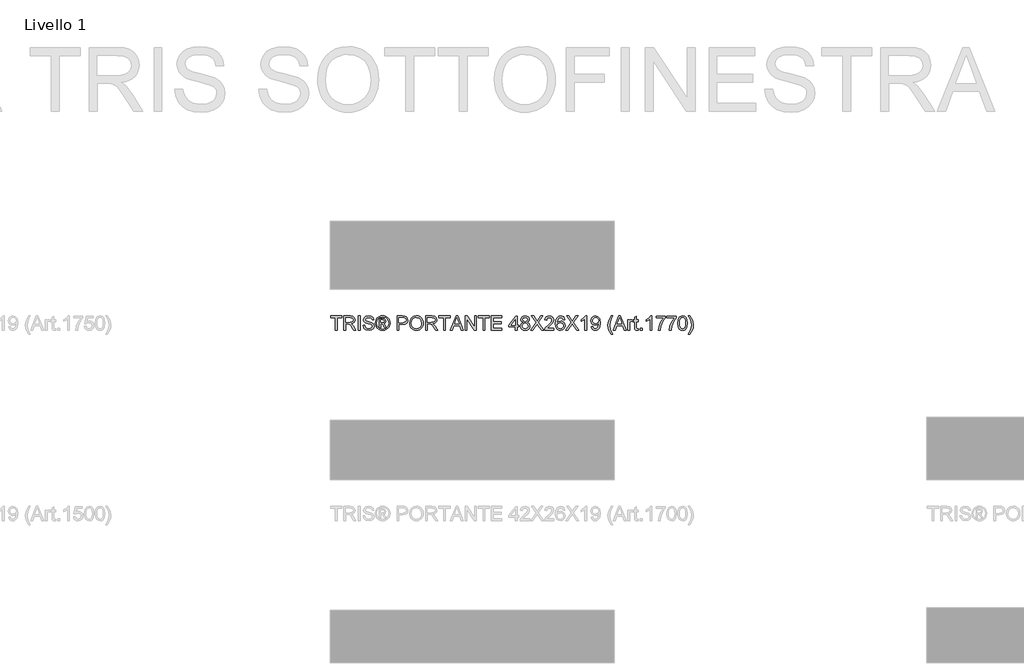
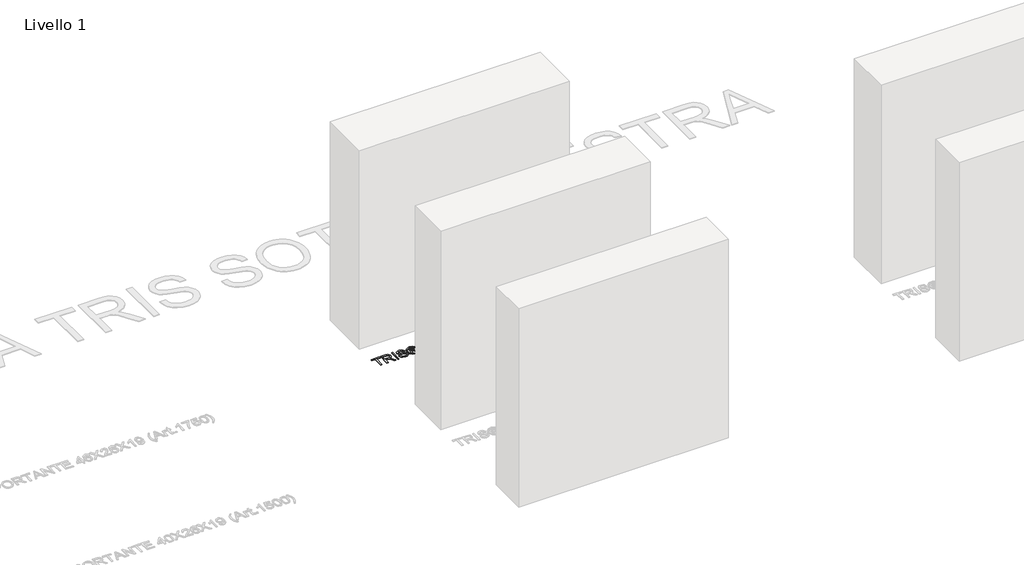
# One storey, part 16 of 19: 1 proxy.
"""IFC4 building model written with IfcOpenShell, lengths in millimetres."""

import ifcopenshell
import ifcopenshell.guid

model = None  # the IFC model being written
_history = None  # IfcOwnerHistory: only IFC2X3 demands one
_inside = {}  # id of a spatial element -> (the spatial element, [elements in it])
_under = {}  # id of a project, library or spatial element -> (it, [spatial elements below it])
_declared = {}  # id of a project -> (the project, [libraries it declares])
_typed = {}  # id of a type object -> (the type object, [elements of that type])
_made_of = {}  # id of a material, layer set ... -> (it, [elements and type objects made of it])


def new_model(schema):
    """Start an empty IFC model of exactly this schema.

    Asked for "IFC4X3", IfcOpenShell would pick the latest addendum, in which some entities
    have other attributes; the version numbers below select the first issue.
    IFC2X3 requires an IfcOwnerHistory on every rooted entity: one is made here for all.
    """
    global model, _history
    if schema == "IFC4X3":
        model = ifcopenshell.file(schema_version=(4, 3, 0, 0))
    else:
        model = ifcopenshell.file(schema=schema)
    _inside.clear()
    _under.clear()
    _declared.clear()
    _typed.clear()
    _made_of.clear()
    _history = None
    if model.schema == "IFC2X3":
        org = make("IfcOrganization", Name="unknown")
        user = make(
            "IfcPersonAndOrganization",
            ThePerson=make("IfcPerson", FamilyName="unknown"),
            TheOrganization=org,
        )
        app = make(
            "IfcApplication",
            ApplicationDeveloper=org,
            Version="unknown",
            ApplicationFullName="unknown",
            ApplicationIdentifier="unknown",
        )
        _history = make(
            "IfcOwnerHistory",
            OwningUser=user,
            OwningApplication=app,
            ChangeAction="ADDED",
            CreationDate=0,
        )
    return model


def make(cls, **values):
    """One entity of the class cls with the attributes given. An attribute that is None is left unset."""
    return model.create_entity(
        cls, **{name: value for name, value in values.items() if value is not None}
    )


def rooted(cls, **values):
    """An entity with a GlobalId (a new one), such as an element, a storey or a relation."""
    return make(cls, GlobalId=ifcopenshell.guid.new(), OwnerHistory=_history, **values)


def si_unit(unit_type, name, prefix=None):
    """IfcSIUnit, for example si_unit("LENGTHUNIT", "METRE", prefix="MILLI")."""
    return make("IfcSIUnit", UnitType=unit_type, Prefix=prefix, Name=name)


def assignment(units):
    """IfcUnitAssignment: the units of a project."""
    return None if units is None else make("IfcUnitAssignment", Units=units)


def point(xyz):
    """IfcCartesianPoint."""
    return None if xyz is None else make("IfcCartesianPoint", Coordinates=xyz)


def direction(xyz):
    """IfcDirection."""
    return None if xyz is None else make("IfcDirection", DirectionRatios=xyz)


def frame(location, z_axis=None, x_axis=None):
    """IfcAxis2Placement3D, a coordinate frame: its origin and axes. An axis left out is left unset."""
    return make(
        "IfcAxis2Placement3D",
        Location=point(location),
        Axis=direction(z_axis),
        RefDirection=direction(x_axis),
    )


def origin():
    """The frame at (0, 0, 0) with its axes left unset."""
    return frame((0.0, 0.0, 0.0))


def origin_with_axes():
    """The frame at (0, 0, 0) with the z axis (0, 0, 1) and the x axis (1, 0, 0) written out."""
    return frame((0.0, 0.0, 0.0), z_axis=(0.0, 0.0, 1.0), x_axis=(1.0, 0.0, 0.0))


def place(relative_to, where):
    """IfcLocalPlacement: puts the frame where relative to a parent placement (None: the world)."""
    return make(
        "IfcLocalPlacement", PlacementRelTo=relative_to, RelativePlacement=where
    )


def context(
    kind, dimensions, precision=None, world=None, true_north=None, identifier=None
):
    """IfcGeometricRepresentationContext, for example the 3D "Model" context."""
    return make(
        "IfcGeometricRepresentationContext",
        ContextIdentifier=identifier,
        ContextType=kind,
        CoordinateSpaceDimension=dimensions,
        Precision=precision,
        WorldCoordinateSystem=world,
        TrueNorth=true_north,
    )


def project(units=None, contexts=None):
    """IfcProject with its units and contexts."""
    return rooted(
        "IfcProject",
        Name="project",
        RepresentationContexts=contexts,
        UnitsInContext=assignment(units),
    )


def spatial(cls, under=None, at=None, **own):
    """A site, building, storey or space (cls), placed at a placement, below another one or the project."""
    s = rooted(cls, ObjectPlacement=at, **own)
    if under is not None:
        _under.setdefault(under.id(), (under, []))[1].append(s)
    return s


def polyline(points):
    """IfcPolyline through the points."""
    return make("IfcPolyline", Points=[point(p) for p in points])


def outline(outer, holes=None, kind="AREA"):
    """IfcArbitraryClosedProfileDef: a profile drawn as a closed curve; with holes, ...WithVoids."""
    if holes is None:
        return make("IfcArbitraryClosedProfileDef", ProfileType=kind, OuterCurve=outer)
    return make(
        "IfcArbitraryProfileDefWithVoids",
        ProfileType=kind,
        OuterCurve=outer,
        InnerCurves=holes,
    )


def extrude(swept, where, along, depth):
    """IfcExtrudedAreaSolid: the profile swept, set in the frame where, extruded along a direction by depth."""
    return make(
        "IfcExtrudedAreaSolid",
        SweptArea=swept,
        Position=where,
        ExtrudedDirection=direction(along),
        Depth=depth,
    )


def shape(context_of_items, identifier, shape_type, items):
    """IfcShapeRepresentation: the items that make up one representation, for example the "Body"."""
    return make(
        "IfcShapeRepresentation",
        ContextOfItems=context_of_items,
        RepresentationIdentifier=identifier,
        RepresentationType=shape_type,
        Items=items,
    )


def made_of(thing, what):
    """Note that an element or type object is made of a material, layer set ...; save() writes the relation."""
    if what is not None:
        _made_of.setdefault(what.id(), (what, []))[1].append(thing)
    return thing


def element(
    cls,
    number,
    at=None,
    inside=None,
    cuts=None,
    type_object=None,
    material=None,
    context=None,
    identifier="Body",
    shape_type=None,
    held_by="IfcProductDefinitionShape",
    body=None,
    shapes=None,
    **own,
):
    """One element of the class cls, such as IfcWall. Its Tag is "e" and its number.

    at: its placement. inside: the storey or other place that contains it. cuts: it is an
    opening in that element (IfcRelVoidsElement). A single representation is given by context,
    identifier, shape_type and body (its items); several are given by shapes. held_by: the class
    of the entity that holds the representations. save() writes the other relations.
    """
    e = rooted(cls, Tag="e%d" % number, ObjectPlacement=at, **own)
    if body is not None:
        shapes = [shape(context, identifier, shape_type, body)]
    if shapes is not None:
        e.Representation = make(held_by, Representations=shapes)
    if inside is not None:
        _inside.setdefault(inside.id(), (inside, []))[1].append(e)
    if cuts is not None:
        rooted(
            "IfcRelVoidsElement", RelatingBuildingElement=cuts, RelatedOpeningElement=e
        )
    if type_object is not None:
        _typed.setdefault(type_object.id(), (type_object, []))[1].append(e)
    return made_of(e, material)


def aggregate(whole, parts):
    """IfcRelAggregates: a whole, such as a stair, and the parts it consists of."""
    return rooted("IfcRelAggregates", RelatingObject=whole, RelatedObjects=parts)


def save(model, path):
    """Write the relations noted so far, then the file.

    IfcRelAggregates (storeys below a building ...), IfcRelContainedInSpatialStructure (elements
    in a storey), IfcRelDefinesByType, IfcRelAssociatesMaterial and IfcRelDeclares: one each for
    every whole, place, type object, material and project.
    """
    for whole, parts in _under.values():
        aggregate(whole, parts)
    for where, things in _inside.values():
        rooted(
            "IfcRelContainedInSpatialStructure",
            RelatedElements=things,
            RelatingStructure=where,
        )
    for kind, things in _typed.values():
        rooted("IfcRelDefinesByType", RelatedObjects=things, RelatingType=kind)
    for what, things in _made_of.values():
        rooted("IfcRelAssociatesMaterial", RelatedObjects=things, RelatingMaterial=what)
    for by, libraries in _declared.values():
        rooted("IfcRelDeclares", RelatingContext=by, RelatedDefinitions=libraries)
    model.write(path)


model = new_model("IFC4")

# Units and contexts
model_context = context("Model", 3, world=origin())
ifc_project = project(units=[si_unit("LENGTHUNIT", "METRE", prefix="MILLI")], contexts=[model_context])

# Site, building, storey
site = spatial("IfcSite", under=ifc_project)
building = spatial("IfcBuilding", under=site)
storey = spatial("IfcBuildingStorey", under=building, Name="Livello 1", Elevation=0.0)

# Proxy
placement = place(None, origin())
element("IfcBuildingElementProxy", 1, Name="100", ObjectType="100", at=placement, inside=storey, context=model_context, shape_type="SweptSolid", body=[
    extrude(outline(polyline([(-1100.6104208, 2573.8942151), (-1100.6104208, 2661.7934865), (-1133.5726476, 2661.7934865), (-1133.5726476, 2674.3505252), (-1055.0911553, 2674.3505252), (-1055.0911553, 2661.7934865), (-1088.053382, 2661.7934865), (-1088.053382, 2573.8942151), (-1100.6104208, 2573.8942151)])), origin_with_axes(), (0.0, 0.0, 1.0), 5.0),
    extrude(outline(polyline([(-1040.9644866, 2573.8942151), (-1040.9644866, 2674.3505252), (-997.6770385, 2674.3505252), (-977.5784189, 2671.6404612), (-966.59101, 2662.0510039), (-962.4829943, 2646.8574775), (-964.1844486, 2636.9614518), (-969.2888112, 2628.7576833), (-977.9493666, 2622.7428127), (-990.3193986, 2619.4134806), (-983.1824879, 2614.0424035), (-973.0044194, 2601.1174827), (-956.2535259, 2573.8942151), (-970.8461784, 2573.8942151), (-983.9182519, 2594.716336), (-993.3605565, 2608.4996481), (-999.9946951, 2615.0111594), (-1005.9666462, 2617.4023924), (-1013.2507097, 2617.8438508), (-1028.4074479, 2617.8438508), (-1028.4074479, 2573.8942151), (-1040.9644866, 2573.8942151)]), holes=[polyline([(-1028.4074479, 2630.4008895), (-1000.3012634, 2630.4008895), (-985.9661284, 2632.1789858), (-977.8236735, 2637.868894), (-975.0400331, 2646.3914936), (-980.3497966, 2657.4524789), (-997.1374783, 2661.7934865), (-1028.4074479, 2661.7934865), (-1028.4074479, 2630.4008895)])]), origin_with_axes(), (0.0, 0.0, 1.0), 5.0),
    extrude(outline(polyline([(-938.9385466, 2573.8942151), (-938.9385466, 2674.3505252), (-926.3815079, 2674.3505252), (-926.3815079, 2573.8942151), (-938.9385466, 2573.8942151)])), origin_with_axes(), (0.0, 0.0, 1.0), 5.0),
    extrude(outline(polyline([(-905.9763199, 2608.4260717), (-893.4192811, 2608.4260717), (-889.3725792, 2595.8567702), (-879.4888162, 2587.9105191), (-864.4301799, 2584.881624), (-851.3090554, 2587.1747551), (-842.8355068, 2593.4778), (-840.0518663, 2601.9022976), (-842.136531, 2609.7381841), (-850.6713933, 2615.4403551), (-868.9551284, 2620.2350837), (-888.6368152, 2626.427764), (-899.3176558, 2635.7719667), (-902.8370602, 2648.255429), (-898.4837899, 2662.4679368), (-885.7673356, 2672.4988525), (-867.1525067, 2675.9201551), (-847.2868789, 2672.339437), (-834.0431271, 2661.8180119), (-829.0644574, 2646.097188), (-841.6214962, 2646.097188), (-843.92689, 2653.589718), (-848.7338814, 2658.9975833), (-866.6619973, 2663.3631163), (-884.6391642, 2659.0466342), (-890.2800214, 2648.623311), (-886.2823704, 2639.9167705), (-865.7790805, 2632.9024871), (-843.559008, 2626.5994422), (-831.4066395, 2616.4213737), (-827.4948276, 2602.2211287), (-831.9952506, 2587.1992806), (-844.9446969, 2576.2363971), (-863.9396706, 2572.3245852), (-886.3682095, 2576.5429654), (-900.5561918, 2589.247157), (-905.9763199, 2608.4260717)])), origin_with_axes(), (0.0, 0.0, 1.0), 5.0),
    extrude(outline(polyline([(-791.3933411, 2592.7297732), (-791.3933411, 2655.5149671), (-771.1107804, 2655.5149671), (-756.0521441, 2653.7859217), (-748.6331905, 2647.752657), (-745.8740756, 2638.5923953), (-750.632016, 2626.6730186), (-763.2381058, 2620.9831105), (-758.3330125, 2617.647647), (-749.7736247, 2605.1151337), (-742.7348159, 2592.7297732), (-753.3298173, 2592.7297732), (-758.8480473, 2602.6871126), (-768.0941481, 2617.1080868), (-776.1139756, 2619.4134806), (-781.975562, 2619.4134806), (-781.975562, 2592.7297732), (-791.3933411, 2592.7297732)]), holes=[polyline([(-781.975562, 2628.8312597), (-770.0561854, 2628.8312597), (-758.4065889, 2631.2224927), (-755.2918547, 2637.5623257), (-756.7879081, 2642.1240624), (-760.9449746, 2645.1161693), (-770.8164749, 2646.097188), (-781.975562, 2646.097188), (-781.975562, 2628.8312597)])]), origin_with_axes(), (0.0, 0.0, 1.0), 5.0),
    extrude(outline(polyline([(-767.824368, 2675.9201551), (-754.930104, 2674.246292), (-742.3424084, 2669.2247028), (-731.2844888, 2661.0883793), (-722.9795527, 2650.0703135), (-717.7832196, 2637.3477279), (-716.0511085, 2624.0978447), (-717.7586941, 2610.9644575), (-722.8814509, 2598.346105), (-731.0852194, 2587.3678931), (-742.0358401, 2579.1549276), (-754.6449955, 2574.0321708), (-767.824368, 2572.3245852), (-780.9853463, 2574.0321708), (-793.5883704, 2579.1549276), (-804.5481881, 2587.3678931), (-812.7795478, 2598.346105), (-817.9298957, 2610.9644575), (-819.6466783, 2624.0978447), (-817.9053702, 2637.3477279), (-812.6814459, 2650.0703135), (-804.3489187, 2661.0883793), (-793.281802, 2669.2247028), (-780.7002378, 2674.246292), (-767.824368, 2675.9201551)]), holes=[polyline([(-767.824368, 2666.502376), (-788.6464889, 2661.0209343), (-797.6749262, 2654.3592045), (-804.5022029, 2645.3368985), (-810.2288993, 2624.0978447), (-804.6125675, 2603.0427318), (-788.8917435, 2587.3586961), (-767.824368, 2581.7423643), (-746.7447296, 2587.3586961), (-731.0606939, 2603.0427318), (-725.4688876, 2624.0978447), (-731.1587958, 2645.3368985), (-737.9676784, 2654.3592045), (-747.0145098, 2661.0209343), (-767.824368, 2666.502376)])]), origin_with_axes(), (0.0, 0.0, 1.0), 5.0),
    extrude(outline(polyline([(-665.8229534, 2573.8942151), (-665.8229534, 2674.3505252), (-628.5932955, 2674.3505252), (-613.5837101, 2673.394032), (-601.3822906, 2668.6974052), (-593.4728277, 2658.9853206), (-590.4807208, 2645.2878476), (-592.5010061, 2633.4481787), (-598.561862, 2623.5828099), (-609.8956931, 2616.9241458), (-627.7349042, 2614.7045911), (-653.2659147, 2614.7045911), (-653.2659147, 2573.8942151), (-665.8229534, 2573.8942151)]), holes=[polyline([(-653.2659147, 2627.2616298), (-626.9991402, 2627.2616298), (-608.5069386, 2631.8724175), (-604.4050543, 2637.4213043), (-603.0377596, 2644.8463892), (-606.2628584, 2655.2451869), (-614.736407, 2660.9350951), (-627.2934458, 2661.7934865), (-653.2659147, 2661.7934865), (-653.2659147, 2627.2616298)])]), origin_with_axes(), (0.0, 0.0, 1.0), 5.0),
    extrude(outline(polyline([(-577.923682, 2622.797995), (-574.5759559, 2645.0119361), (-564.5327774, 2661.8180119), (-549.1982296, 2672.3946193), (-529.9763953, 2675.9201551), (-516.8000885, 2674.2646861), (-504.9849451, 2669.2982792), (-495.1747586, 2661.3704222), (-488.0133224, 2650.830603), (-483.6355267, 2638.1877251), (-482.1762614, 2623.9506919), (-483.7121688, 2609.5235863), (-488.3198908, 2596.7028988), (-495.7449757, 2586.1446855), (-505.7329719, 2578.5050027), (-517.4469477, 2573.8696896), (-530.0499717, 2572.3245852), (-543.4286136, 2574.0321708), (-555.3112021, 2579.1549276), (-565.0968631, 2587.2299374), (-572.1847229, 2597.794282), (-577.923682, 2622.797995)]), holes=[polyline([(-565.3666433, 2622.6753676), (-562.8558487, 2606.9606751), (-555.3234648, 2594.9861161), (-544.0018964, 2587.407747), (-530.1235481, 2584.881624), (-516.0428648, 2587.4322725), (-504.7029023, 2595.084218), (-497.2257007, 2607.4266589), (-494.7333002, 2624.0487938), (-499.0007313, 2644.7728128), (-511.471931, 2658.4948112), (-529.9028189, 2663.3631163), (-543.4102195, 2661.0178686), (-554.8942691, 2653.9821254), (-562.7485497, 2641.4649405), (-565.3666433, 2622.6753676)])]), origin_with_axes(), (0.0, 0.0, 1.0), 5.0),
    extrude(outline(polyline([(-464.9103331, 2573.8942151), (-464.9103331, 2674.3505252), (-421.622885, 2674.3505252), (-401.5242654, 2671.6404612), (-390.5368564, 2662.0510039), (-386.4288408, 2646.8574775), (-388.1302951, 2636.9614518), (-393.2346577, 2628.7576833), (-401.895213, 2622.7428127), (-414.2652451, 2619.4134806), (-407.1283344, 2614.0424035), (-396.9502659, 2601.1174827), (-380.1993724, 2573.8942151), (-394.7920248, 2573.8942151), (-407.8640984, 2594.716336), (-417.306403, 2608.4996481), (-423.9405416, 2615.0111594), (-429.9124927, 2617.4023924), (-437.1965562, 2617.8438508), (-452.3532944, 2617.8438508), (-452.3532944, 2573.8942151), (-464.9103331, 2573.8942151)]), holes=[polyline([(-452.3532944, 2630.4008895), (-424.2471099, 2630.4008895), (-409.9119749, 2632.1789858), (-401.76952, 2637.868894), (-398.9858796, 2646.3914936), (-404.2956431, 2657.4524789), (-421.0833248, 2661.7934865), (-452.3532944, 2661.7934865), (-452.3532944, 2630.4008895)])]), origin_with_axes(), (0.0, 0.0, 1.0), 5.0),
    extrude(outline(polyline([(-339.3399454, 2573.8942151), (-339.3399454, 2661.7934865), (-372.3021722, 2661.7934865), (-372.3021722, 2674.3505252), (-293.8206799, 2674.3505252), (-293.8206799, 2661.7934865), (-326.7829067, 2661.7934865), (-326.7829067, 2573.8942151), (-339.3399454, 2573.8942151)])), origin_with_axes(), (0.0, 0.0, 1.0), 5.0),
    extrude(outline(polyline([(-291.3926587, 2573.8942151), (-251.2935213, 2674.3505252), (-240.6004179, 2674.3505252), (-200.5012805, 2573.8942151), (-213.7695578, 2573.8942151), (-225.2720015, 2605.286812), (-266.6464632, 2605.286812), (-278.1243814, 2573.8942151), (-291.3926587, 2573.8942151)]), holes=[polyline([(-262.0356755, 2617.8438508), (-229.8582637, 2617.8438508), (-238.9081608, 2642.5409954), (-245.9469696, 2661.7934865), (-252.2009635, 2644.6992364), (-262.0356755, 2617.8438508)])]), origin_with_axes(), (0.0, 0.0, 1.0), 5.0),
    extrude(outline(polyline([(-187.0858504, 2573.8942151), (-187.0858504, 2674.3505252), (-173.6458948, 2674.3505252), (-121.1613968, 2594.7653869), (-121.1613968, 2674.3505252), (-108.6043581, 2674.3505252), (-108.6043581, 2573.8942151), (-122.0443136, 2573.8942151), (-174.5288116, 2653.5038788), (-174.5288116, 2573.8942151), (-187.0858504, 2573.8942151)])), origin_with_axes(), (0.0, 0.0, 1.0), 5.0),
    extrude(outline(polyline([(-61.5154627, 2573.8942151), (-61.5154627, 2661.7934865), (-94.4776895, 2661.7934865), (-94.4776895, 2674.3505252), (-15.9961971, 2674.3505252), (-15.9961971, 2661.7934865), (-48.9584239, 2661.7934865), (-48.9584239, 2573.8942151), (-61.5154627, 2573.8942151)])), origin_with_axes(), (0.0, 0.0, 1.0), 5.0),
    extrude(outline(polyline([(-1.8695285, 2573.8942151), (-1.8695285, 2674.3505252), (70.3334444, 2674.3505252), (70.3334444, 2661.7934865), (10.6875102, 2661.7934865), (10.6875102, 2631.9705194), (67.1941847, 2631.9705194), (67.1941847, 2619.4134806), (10.6875102, 2619.4134806), (10.6875102, 2586.4512538), (71.9030742, 2586.4512538), (71.9030742, 2573.8942151), (-1.8695285, 2573.8942151)])), origin_with_axes(), (0.0, 0.0, 1.0), 5.0),
    extrude(outline(polyline([(166.080865, 2573.8942151), (166.080865, 2597.4386628), (120.5615995, 2597.4386628), (120.5615995, 2609.9957015), (169.2201247, 2672.7808954), (178.6379038, 2672.7808954), (178.6379038, 2609.9957015), (191.1949425, 2609.9957015), (191.1949425, 2597.4386628), (178.6379038, 2597.4386628), (178.6379038, 2573.8942151), (166.080865, 2573.8942151)]), holes=[polyline([(166.080865, 2609.9957015), (166.080865, 2648.7949893), (136.0126433, 2609.9957015), (166.080865, 2609.9957015)])]), origin_with_axes(), (0.0, 0.0, 1.0), 5.0),
    extrude(outline(polyline([(220.4783494, 2629.2236671), (209.0372193, 2637.0227654), (205.3216112, 2649.1628713), (207.3449621, 2658.9791892), (213.415015, 2667.0909872), (222.8511882, 2672.5356407), (234.9729, 2674.3505252), (247.1681881, 2672.4927211), (256.7269886, 2666.9193089), (262.9074061, 2658.6787522), (264.9675453, 2648.8195148), (261.3009881, 2636.9859772), (250.1786891, 2629.2236671), (263.5328055, 2619.3766924), (268.106805, 2603.128571), (265.8381994, 2591.1233552), (259.0323824, 2581.202804), (248.5232201, 2574.5441399), (235.1445782, 2572.3245852), (221.7659363, 2574.553337), (211.256774, 2581.2395922), (204.4509571, 2591.2551796), (202.1823515, 2603.4719275), (206.9402919, 2620.1001937), (220.4783494, 2629.2236671)]), holes=[polyline([(214.7393902, 2603.9133859), (216.8363176, 2594.4588186), (224.2552712, 2587.3832216), (235.2426801, 2584.881624), (243.7898051, 2586.1968021), (250.2032146, 2590.1423365), (255.5497662, 2603.5209784), (250.0315363, 2617.1571377), (243.4709741, 2621.2038397), (234.8257472, 2622.5527403), (226.3981838, 2621.2222338), (220.0491537, 2617.2307141), (214.7393902, 2603.9133859)]), polyline([(217.8786499, 2648.7949893), (222.3300221, 2638.9357518), (235.291731, 2635.1097791), (247.9959226, 2638.9112264), (252.4105065, 2648.2309036), (247.8487698, 2657.8816746), (235.1445782, 2661.7934865), (222.4035985, 2657.9675137), (217.8786499, 2648.7949893)])]), origin_with_axes(), (0.0, 0.0, 1.0), 5.0),
    extrude(outline(polyline([(272.8156945, 2573.8942151), (311.5414059, 2628.635056), (279.0942139, 2674.3505252), (294.1528503, 2674.3505252), (312.4243227, 2648.623311), (318.5802147, 2638.5923953), (325.7907018, 2648.7949893), (343.8659705, 2674.3505252), (359.1453361, 2674.3505252), (326.6981441, 2628.4879032), (365.4238555, 2573.8942151), (350.3652191, 2573.8942151), (324.5644285, 2610.2900071), (319.1933514, 2617.8438508), (313.282714, 2609.5542431), (288.0950601, 2573.8942151), (272.8156945, 2573.8942151)])), origin_with_axes(), (0.0, 0.0, 1.0), 5.0),
    extrude(outline(polyline([(437.6268284, 2586.4512538), (437.6268284, 2573.8942151), (371.7023748, 2573.8942151), (373.0512755, 2582.5517047), (380.6786955, 2595.8812957), (396.3995194, 2610.4371599), (418.0800317, 2631.3573827), (423.5001598, 2645.5821532), (418.3866, 2657.0968597), (405.0324836, 2661.7934865), (391.1142814, 2657.2072242), (385.8290435, 2644.5275581), (373.2720047, 2646.097188), (376.3162282, 2658.2434252), (382.8982502, 2667.1155127), (392.6747142, 2672.5417721), (405.3022637, 2674.3505252), (418.0217837, 2672.339437), (427.7798536, 2666.3061723), (433.9878623, 2657.2930634), (436.0571985, 2646.3424427), (433.8253811, 2634.4353287), (426.4064275, 2622.1235446), (408.416998, 2604.91893), (393.9714983, 2592.8401378), (388.3061156, 2586.4512538), (437.6268284, 2586.4512538)])), origin_with_axes(), (0.0, 0.0, 1.0), 5.0),
    extrude(outline(polyline([(514.5386908, 2647.6668178), (501.9816521, 2646.097188), (497.2237116, 2656.5695621), (484.6421474, 2661.7934865), (473.3113819, 2658.7523286), (464.7397314, 2647.335724), (461.1712761, 2624.956236), (472.2445241, 2634.974889), (485.9665225, 2638.2490388), (497.5670681, 2636.01109), (507.3036783, 2629.2972435), (513.9071601, 2619.0394672), (516.1083207, 2606.1697288), (511.9635169, 2588.8424868), (500.559175, 2576.5797536), (484.1025871, 2572.3245852), (469.8563568, 2575.1450139), (458.510263, 2583.6062997), (451.0882437, 2598.5423088), (448.6142373, 2620.7869067), (451.3610895, 2645.796751), (459.6016462, 2662.8971324), (470.8527039, 2671.487177), (485.4269623, 2674.3505252), (496.445028, 2672.5785603), (505.2680646, 2667.2626655), (511.4484821, 2658.8197737), (514.5386908, 2647.6668178)]), holes=[polyline([(461.1712761, 2606.3659325), (464.0775438, 2595.4888882), (471.8030657, 2587.591688), (483.1215684, 2584.881624), (491.4081104, 2586.2857069), (497.9226874, 2590.4979558), (502.1441333, 2597.1198317), (503.5512819, 2605.7527959), (502.1625274, 2614.0393378), (497.9962638, 2620.3577111), (491.3713222, 2624.3584278), (482.6065336, 2625.692), (467.4130072, 2620.3577111), (462.7317089, 2614.192622), (461.1712761, 2606.3659325)])]), origin_with_axes(), (0.0, 0.0, 1.0), 5.0),
    extrude(outline(polyline([(520.8172102, 2573.8942151), (559.5429216, 2628.635056), (527.0957296, 2674.3505252), (542.1543659, 2674.3505252), (560.4258384, 2648.623311), (566.5817304, 2638.5923953), (573.7922175, 2648.7949893), (591.8674862, 2674.3505252), (607.1468517, 2674.3505252), (574.6996598, 2628.4879032), (613.4253711, 2573.8942151), (598.3667348, 2573.8942151), (572.5659442, 2610.2900071), (567.1948671, 2617.8438508), (561.2842297, 2609.5542431), (536.0965757, 2573.8942151), (520.8172102, 2573.8942151)])), origin_with_axes(), (0.0, 0.0, 1.0), 5.0),
    extrude(outline(polyline([(668.3624157, 2573.8942151), (655.805377, 2573.8942151), (655.805377, 2652.1795036), (643.9105258, 2643.705955), (630.6912994, 2637.366122), (630.6912994, 2649.2364477), (649.0976619, 2660.9841461), (660.2690119, 2674.3505252), (668.3624157, 2674.3505252), (668.3624157, 2573.8942151)])), origin_with_axes(), (0.0, 0.0, 1.0), 5.0),
    extrude(outline(polyline([(699.7550127, 2599.0082926), (712.3120514, 2600.5779225), (717.9529087, 2588.5972321), (728.646012, 2584.881624), (738.8118178, 2587.272857), (745.7034739, 2593.6617409), (749.8114895, 2604.5755735), (751.626374, 2619.1437005), (751.5527976, 2621.5962471), (741.5096191, 2612.0803662), (727.7385698, 2608.4260717), (716.2882427, 2610.6578891), (706.7570333, 2617.3533414), (700.3282954, 2627.6969569), (698.1853828, 2640.8732637), (700.4325287, 2654.4848975), (707.1739662, 2665.1534753), (717.2999182, 2672.0512628), (729.7006071, 2674.3505252), (747.5919348, 2669.1020754), (759.9037189, 2654.141541), (764.1098364, 2626.0353565), (759.9159816, 2595.5379391), (754.7012543, 2585.5468773), (747.444782, 2578.2597481), (738.4592642, 2573.8083759), (728.0574008, 2572.3245852), (717.3213779, 2574.0750904), (708.7558588, 2579.3266059), (702.7655137, 2587.7480379), (699.7550127, 2599.0082926)]), holes=[polyline([(751.5527976, 2641.1675693), (750.1977656, 2649.6779061), (746.1326695, 2656.2262056), (739.8234933, 2660.4016662), (731.7362208, 2661.7934865), (723.3485113, 2660.2943673), (716.6285335, 2655.7970099), (712.2139496, 2648.9145509), (710.7424216, 2640.260127), (712.1342418, 2632.5008826), (716.3097025, 2626.3419249), (722.8641333, 2622.3228141), (731.3928643, 2620.9831105), (745.8751521, 2626.3419249), (750.1333862, 2632.7277432), (751.5527976, 2641.1675693)])]), origin_with_axes(), (0.0, 0.0, 1.0), 5.0),
    extrude(outline(polyline([(842.5913287, 2545.6408778), (824.7613146, 2575.0959629), (819.298267, 2592.2760521), (817.4772511, 2610.0692779), (822.9219047, 2640.6034835), (842.5913287, 2674.3505252), (852.0091077, 2674.3505252), (840.2614094, 2654.460372), (833.1980751, 2635.1833555), (830.0342899, 2609.9957015), (835.5279944, 2577.806027), (852.0091077, 2545.6408778), (842.5913287, 2545.6408778)])), origin_with_axes(), (0.0, 0.0, 1.0), 5.0),
    extrude(outline(polyline([(854.4371289, 2573.8942151), (894.5362664, 2674.3505252), (905.2293697, 2674.3505252), (945.3285072, 2573.8942151), (932.0602299, 2573.8942151), (920.5577862, 2605.286812), (879.1833244, 2605.286812), (867.7054062, 2573.8942151), (854.4371289, 2573.8942151)]), holes=[polyline([(883.7941121, 2617.8438508), (915.971524, 2617.8438508), (906.9216269, 2642.5409954), (899.882818, 2661.7934865), (893.6288241, 2644.6992364), (883.7941121, 2617.8438508)])]), origin_with_axes(), (0.0, 0.0, 1.0), 5.0),
    extrude(outline(polyline([(957.1743074, 2573.8942151), (957.1743074, 2647.6668178), (968.1617163, 2647.6668178), (968.1617163, 2636.7529853), (975.9608146, 2646.8084265), (983.8089639, 2649.2364477), (996.4150536, 2645.361424), (992.2211988, 2634.104235), (983.3920309, 2636.6794089), (976.2919084, 2634.2023368), (971.7669599, 2627.3352062), (969.7313462, 2612.6689774), (969.7313462, 2573.8942151), (957.1743074, 2573.8942151)])), origin_with_axes(), (0.0, 0.0, 1.0), 5.0),
    extrude(outline(polyline([(1030.9469102, 2584.3665892), (1032.51654, 2573.5263331), (1023.1232864, 2572.3245852), (1012.6018614, 2574.4092499), (1007.3534116, 2579.8784289), (1005.8328327, 2594.1277248), (1005.8328327, 2635.1097791), (996.4150536, 2635.1097791), (996.4150536, 2647.6668178), (1005.8328327, 2647.6668178), (1005.8328327, 2665.5949337), (1018.3898714, 2672.9770991), (1018.3898714, 2647.6668178), (1030.9469102, 2647.6668178), (1030.9469102, 2635.1097791), (1018.3898714, 2635.1097791), (1018.3898714, 2594.4956068), (1019.052059, 2588.0208837), (1021.1980373, 2585.7277526), (1025.4777312, 2584.881624), (1030.9469102, 2584.3665892)])), origin_with_axes(), (0.0, 0.0, 1.0), 5.0),
    extrude(outline(polyline([(1046.6432087, 2573.8942151), (1046.6432087, 2586.4512538), (1059.2002474, 2586.4512538), (1059.2002474, 2573.8942151), (1046.6432087, 2573.8942151)])), origin_with_axes(), (0.0, 0.0, 1.0), 5.0),
    extrude(outline(polyline([(1126.6943308, 2573.8942151), (1114.137292, 2573.8942151), (1114.137292, 2652.1795036), (1102.2424409, 2643.705955), (1089.0232145, 2637.366122), (1089.0232145, 2649.2364477), (1107.429577, 2660.9841461), (1118.6009269, 2674.3505252), (1126.6943308, 2674.3505252), (1126.6943308, 2573.8942151)])), origin_with_axes(), (0.0, 0.0, 1.0), 5.0),
    extrude(outline(polyline([(1156.5172979, 2660.2238566), (1156.5172979, 2672.7808954), (1222.4417514, 2672.7808954), (1222.4417514, 2662.6273523), (1203.7410833, 2635.6125511), (1189.4304737, 2601.1910591), (1184.7706351, 2573.8942151), (1172.2135963, 2573.8942151), (1177.2045287, 2602.2211287), (1190.9020017, 2634.239125), (1209.8847126, 2660.2238566), (1156.5172979, 2660.2238566)])), origin_with_axes(), (0.0, 0.0, 1.0), 5.0),
    extrude(outline(polyline([(1233.4291603, 2660.2238566), (1233.4291603, 2672.7808954), (1299.3536139, 2672.7808954), (1299.3536139, 2662.6273523), (1280.6529458, 2635.6125511), (1266.3423362, 2601.1910591), (1261.6824976, 2573.8942151), (1249.1254588, 2573.8942151), (1254.1163912, 2602.2211287), (1267.8138642, 2634.239125), (1286.7965751, 2660.2238566), (1233.4291603, 2660.2238566)])), origin_with_axes(), (0.0, 0.0, 1.0), 5.0),
    extrude(outline(polyline([(1310.3410228, 2623.3130298), (1314.0321055, 2652.2162918), (1324.9949889, 2668.8813462), (1343.3032496, 2674.3505252), (1357.9694784, 2671.1131637), (1368.098496, 2661.7812237), (1373.984608, 2646.9187911), (1376.2654763, 2623.3130298), (1372.6111818, 2594.532395), (1361.6850866, 2577.8305524), (1353.4537269, 2573.701077), (1343.3032496, 2572.3245852), (1330.2557015, 2574.7158182), (1320.3474131, 2581.8895171), (1312.8426204, 2598.8795339), (1310.3410228, 2623.3130298)]), holes=[polyline([(1322.8980616, 2623.3375552), (1324.3695895, 2603.5853578), (1328.7841735, 2592.1534248), (1335.3569985, 2586.6995742), (1343.3032496, 2584.881624), (1351.2495007, 2586.7057056), (1357.8223256, 2592.1779502), (1362.2369096, 2603.6160146), (1363.7084376, 2623.3375552), (1362.2859605, 2642.6452286), (1358.0185294, 2654.1660664), (1351.4579671, 2659.8866314), (1343.1560968, 2661.7934865), (1335.2956848, 2660.113492), (1328.9803772, 2655.0735087), (1324.4186405, 2642.835301), (1322.8980616, 2623.3375552)])]), origin_with_axes(), (0.0, 0.0, 1.0), 5.0),
    extrude(outline(polyline([(1393.5314046, 2545.6408778), (1384.1136256, 2545.6408778), (1400.5947389, 2577.806027), (1406.0884434, 2609.9957015), (1402.9246582, 2634.9626263), (1395.9349003, 2654.2641683), (1384.1136256, 2674.3505252), (1393.5314046, 2674.3505252), (1413.2008286, 2640.6034835), (1418.6454822, 2610.0692779), (1416.8152693, 2592.2760521), (1411.3246305, 2575.0959629), (1393.5314046, 2545.6408778)])), origin_with_axes(), (0.0, 0.0, 1.0), 5.0),
])

save(model, "model.ifc")
